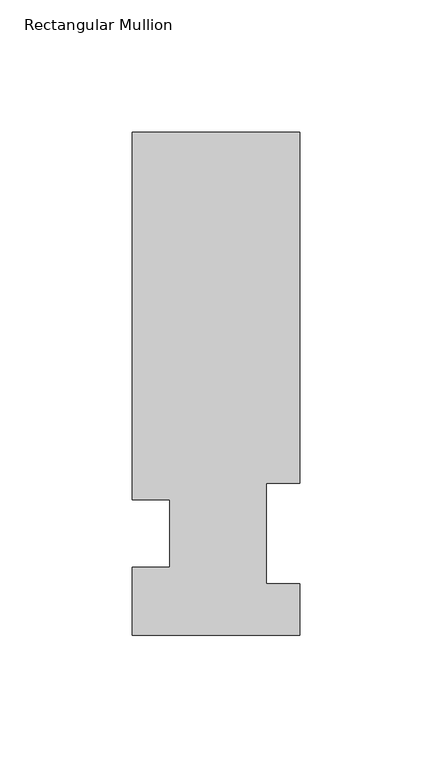
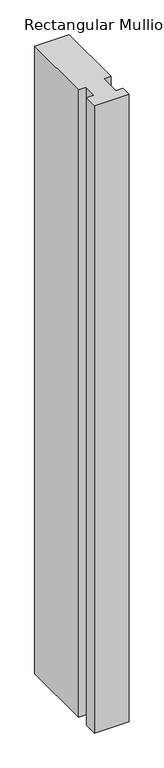
"""IFC4 building model written with IfcOpenShell, lengths in millimetres: member geometry, Rectangular Mullion."""

from ifc_helpers import new_model, si_unit, frame, origin, place, context, project, spatial, polyline, outline, extrude, source, transform, mapped, element, save


def rectangular_mullion_e7cfb6df(model_context):
    return source(origin(), model_context, "Body", "SweptSolid", [
        extrude(outline(polyline([(-31.75, 51.2960938), (-31.75, 190.5896938), (31.7500006, 190.5896938), (31.7500006, 57.6460937), (19.05, 57.6460937), (19.05, 19.5460938), (31.75, 19.5460938), (31.75, 0.0134938), (-31.75, 0.0134938), (-31.75, 25.8960937), (-17.4625, 25.8960937), (-17.4625, 51.2960938), (-31.75, 51.2960938)])), frame((0.0, 0.0, -1219.2), z_axis=(0.0, 0.0, 1.0), x_axis=(1.0, 0.0, 0.0)), (0.0, 0.0, 1.0), 1219.2),
    ])


if __name__ == "__main__":
    model = new_model("IFC4")
    model_context = context("Model", 3, world=origin())
    ifc_project = project(units=[si_unit("LENGTHUNIT", "METRE", prefix="MILLI")], contexts=[model_context])
    site = spatial("IfcSite", under=ifc_project)
    building = spatial("IfcBuilding", under=site)
    placement = place(None, origin())
    rectangular_mullion_shape = rectangular_mullion_e7cfb6df(model_context)
    element("IfcMember", 1, ObjectType="Rectangular Mullion", at=placement, inside=building, context=model_context, shape_type="MappedRepresentation", body=[
        mapped(rectangular_mullion_shape, transform((0.0, 0.0, 0.0), x_axis=(1.0, 0.0, 0.0), y_axis=(0.0, 1.0, 0.0), z_axis=(0.0, 0.0, 1.0))),
    ])
    save(model, "model.ifc")
